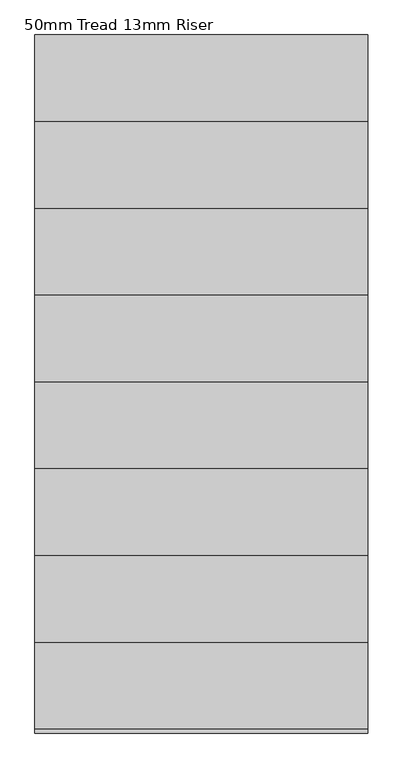
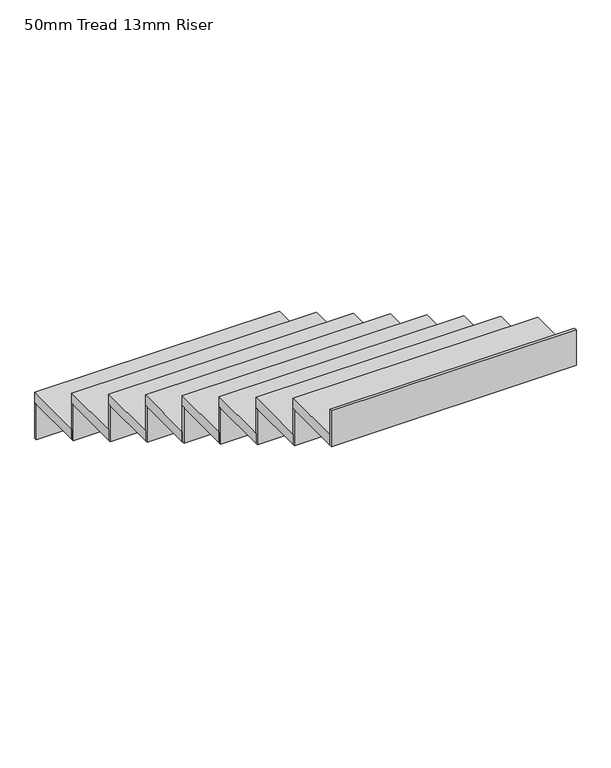
"""IFC4 building model written with IfcOpenShell, lengths in millimetres: stair flight geometry, 50mm Tread 13mm Riser."""

import ifcopenshell
import ifcopenshell.guid

model = None  # the IFC model being written
_history = None  # IfcOwnerHistory: only IFC2X3 demands one
_inside = {}  # id of a spatial element -> (the spatial element, [elements in it])
_under = {}  # id of a project, library or spatial element -> (it, [spatial elements below it])
_declared = {}  # id of a project -> (the project, [libraries it declares])
_typed = {}  # id of a type object -> (the type object, [elements of that type])
_made_of = {}  # id of a material, layer set ... -> (it, [elements and type objects made of it])


def new_model(schema):
    """Start an empty IFC model of exactly this schema.

    Asked for "IFC4X3", IfcOpenShell would pick the latest addendum, in which some entities
    have other attributes; the version numbers below select the first issue.
    IFC2X3 requires an IfcOwnerHistory on every rooted entity: one is made here for all.
    """
    global model, _history
    if schema == "IFC4X3":
        model = ifcopenshell.file(schema_version=(4, 3, 0, 0))
    else:
        model = ifcopenshell.file(schema=schema)
    _inside.clear()
    _under.clear()
    _declared.clear()
    _typed.clear()
    _made_of.clear()
    _history = None
    if model.schema == "IFC2X3":
        org = make("IfcOrganization", Name="unknown")
        user = make(
            "IfcPersonAndOrganization",
            ThePerson=make("IfcPerson", FamilyName="unknown"),
            TheOrganization=org,
        )
        app = make(
            "IfcApplication",
            ApplicationDeveloper=org,
            Version="unknown",
            ApplicationFullName="unknown",
            ApplicationIdentifier="unknown",
        )
        _history = make(
            "IfcOwnerHistory",
            OwningUser=user,
            OwningApplication=app,
            ChangeAction="ADDED",
            CreationDate=0,
        )
    return model


def make(cls, **values):
    """One entity of the class cls with the attributes given. An attribute that is None is left unset."""
    return model.create_entity(
        cls, **{name: value for name, value in values.items() if value is not None}
    )


def rooted(cls, **values):
    """An entity with a GlobalId (a new one), such as an element, a storey or a relation."""
    return make(cls, GlobalId=ifcopenshell.guid.new(), OwnerHistory=_history, **values)


def si_unit(unit_type, name, prefix=None):
    """IfcSIUnit, for example si_unit("LENGTHUNIT", "METRE", prefix="MILLI")."""
    return make("IfcSIUnit", UnitType=unit_type, Prefix=prefix, Name=name)


def assignment(units):
    """IfcUnitAssignment: the units of a project."""
    return None if units is None else make("IfcUnitAssignment", Units=units)


def point(xyz):
    """IfcCartesianPoint."""
    return None if xyz is None else make("IfcCartesianPoint", Coordinates=xyz)


def direction(xyz):
    """IfcDirection."""
    return None if xyz is None else make("IfcDirection", DirectionRatios=xyz)


def frame(location, z_axis=None, x_axis=None):
    """IfcAxis2Placement3D, a coordinate frame: its origin and axes. An axis left out is left unset."""
    return make(
        "IfcAxis2Placement3D",
        Location=point(location),
        Axis=direction(z_axis),
        RefDirection=direction(x_axis),
    )


def origin():
    """The frame at (0, 0, 0) with its axes left unset."""
    return frame((0.0, 0.0, 0.0))


def place(relative_to, where):
    """IfcLocalPlacement: puts the frame where relative to a parent placement (None: the world)."""
    return make(
        "IfcLocalPlacement", PlacementRelTo=relative_to, RelativePlacement=where
    )


def context(
    kind, dimensions, precision=None, world=None, true_north=None, identifier=None
):
    """IfcGeometricRepresentationContext, for example the 3D "Model" context."""
    return make(
        "IfcGeometricRepresentationContext",
        ContextIdentifier=identifier,
        ContextType=kind,
        CoordinateSpaceDimension=dimensions,
        Precision=precision,
        WorldCoordinateSystem=world,
        TrueNorth=true_north,
    )


def project(units=None, contexts=None):
    """IfcProject with its units and contexts."""
    return rooted(
        "IfcProject",
        Name="project",
        RepresentationContexts=contexts,
        UnitsInContext=assignment(units),
    )


def spatial(cls, under=None, at=None, **own):
    """A site, building, storey or space (cls), placed at a placement, below another one or the project."""
    s = rooted(cls, ObjectPlacement=at, **own)
    if under is not None:
        _under.setdefault(under.id(), (under, []))[1].append(s)
    return s


def polyline(points):
    """IfcPolyline through the points."""
    return make("IfcPolyline", Points=[point(p) for p in points])


def outline(outer, holes=None, kind="AREA"):
    """IfcArbitraryClosedProfileDef: a profile drawn as a closed curve; with holes, ...WithVoids."""
    if holes is None:
        return make("IfcArbitraryClosedProfileDef", ProfileType=kind, OuterCurve=outer)
    return make(
        "IfcArbitraryProfileDefWithVoids",
        ProfileType=kind,
        OuterCurve=outer,
        InnerCurves=holes,
    )


def extrude(swept, where, along, depth):
    """IfcExtrudedAreaSolid: the profile swept, set in the frame where, extruded along a direction by depth."""
    return make(
        "IfcExtrudedAreaSolid",
        SweptArea=swept,
        Position=where,
        ExtrudedDirection=direction(along),
        Depth=depth,
    )


def shape(context_of_items, identifier, shape_type, items):
    """IfcShapeRepresentation: the items that make up one representation, for example the "Body"."""
    return make(
        "IfcShapeRepresentation",
        ContextOfItems=context_of_items,
        RepresentationIdentifier=identifier,
        RepresentationType=shape_type,
        Items=items,
    )


def source(mapping_origin, context_of_items, identifier, shape_type, items):
    """IfcRepresentationMap: a shape defined once, which mapped items show again and again."""
    return make(
        "IfcRepresentationMap",
        MappingOrigin=mapping_origin,
        MappedRepresentation=shape(context_of_items, identifier, shape_type, items),
    )


def transform(
    local_origin,
    x_axis=None,
    y_axis=None,
    z_axis=None,
    scale=None,
    scale2=None,
    scale3=None,
    uniform=True,
):
    """IfcCartesianTransformationOperator3D, or its non-uniform kind. x_axis, y_axis, z_axis: its Axis1, 2, 3."""
    if uniform:
        return make(
            "IfcCartesianTransformationOperator3D",
            Axis1=direction(x_axis),
            Axis2=direction(y_axis),
            LocalOrigin=point(local_origin),
            Scale=scale,
            Axis3=direction(z_axis),
        )
    return make(
        "IfcCartesianTransformationOperator3DnonUniform",
        Axis1=direction(x_axis),
        Axis2=direction(y_axis),
        LocalOrigin=point(local_origin),
        Scale=scale,
        Axis3=direction(z_axis),
        Scale2=scale2,
        Scale3=scale3,
    )


def mapped(mapping_source, mapping_target):
    """IfcMappedItem: shows the shape of a source again, moved by a transform."""
    return make(
        "IfcMappedItem", MappingSource=mapping_source, MappingTarget=mapping_target
    )


def made_of(thing, what):
    """Note that an element or type object is made of a material, layer set ...; save() writes the relation."""
    if what is not None:
        _made_of.setdefault(what.id(), (what, []))[1].append(thing)
    return thing


def element(
    cls,
    number,
    at=None,
    inside=None,
    cuts=None,
    type_object=None,
    material=None,
    context=None,
    identifier="Body",
    shape_type=None,
    held_by="IfcProductDefinitionShape",
    body=None,
    shapes=None,
    **own,
):
    """One element of the class cls, such as IfcWall. Its Tag is "e" and its number.

    at: its placement. inside: the storey or other place that contains it. cuts: it is an
    opening in that element (IfcRelVoidsElement). A single representation is given by context,
    identifier, shape_type and body (its items); several are given by shapes. held_by: the class
    of the entity that holds the representations. save() writes the other relations.
    """
    e = rooted(cls, Tag="e%d" % number, ObjectPlacement=at, **own)
    if body is not None:
        shapes = [shape(context, identifier, shape_type, body)]
    if shapes is not None:
        e.Representation = make(held_by, Representations=shapes)
    if inside is not None:
        _inside.setdefault(inside.id(), (inside, []))[1].append(e)
    if cuts is not None:
        rooted(
            "IfcRelVoidsElement", RelatingBuildingElement=cuts, RelatedOpeningElement=e
        )
    if type_object is not None:
        _typed.setdefault(type_object.id(), (type_object, []))[1].append(e)
    return made_of(e, material)


def aggregate(whole, parts):
    """IfcRelAggregates: a whole, such as a stair, and the parts it consists of."""
    return rooted("IfcRelAggregates", RelatingObject=whole, RelatedObjects=parts)


def save(model, path):
    """Write the relations noted so far, then the file.

    IfcRelAggregates (storeys below a building ...), IfcRelContainedInSpatialStructure (elements
    in a storey), IfcRelDefinesByType, IfcRelAssociatesMaterial and IfcRelDeclares: one each for
    every whole, place, type object, material and project.
    """
    for whole, parts in _under.values():
        aggregate(whole, parts)
    for where, things in _inside.values():
        rooted(
            "IfcRelContainedInSpatialStructure",
            RelatedElements=things,
            RelatingStructure=where,
        )
    for kind, things in _typed.values():
        rooted("IfcRelDefinesByType", RelatedObjects=things, RelatingType=kind)
    for what, things in _made_of.values():
        rooted("IfcRelAssociatesMaterial", RelatedObjects=things, RelatingMaterial=what)
    for by, libraries in _declared.values():
        rooted("IfcRelDeclares", RelatingContext=by, RelatedDefinitions=libraries)
    model.write(path)


def stair_flight_50mm_tread_13mm_riser_c1b902f1(model_context):
    return source(origin(), model_context, "Body", "SweptSolid", [
        extrude(outline(polyline([(1695.5456242, -9113.8929885), (1695.5456242, -9101.3929885), (2845.5456242, -9101.3929885), (2845.5456242, -9113.8929885), (1695.5456242, -9113.8929885)])), frame((0.0, 0.0, -4850.0), z_axis=(0.0, 0.0, 1.0), x_axis=(1.0, 0.0, 0.0)), (0.0, 0.0, 1.0), 177.7777778),
        extrude(outline(polyline([(2845.5456242, -9401.3929885), (1695.5456242, -9401.3929885), (1695.5456242, -9101.3929885), (2845.5456242, -9101.3929885), (2845.5456242, -9401.3929885)])), frame((0.0, 0.0, -4672.2222222), z_axis=(0.0, 0.0, 1.0), x_axis=(1.0, 0.0, 0.0)), (0.0, 0.0, 1.0), 50.0),
        extrude(outline(polyline([(1695.5456242, -9413.8929885), (1695.5456242, -9401.3929885), (2845.5456242, -9401.3929885), (2845.5456242, -9413.8929885), (1695.5456242, -9413.8929885)])), frame((0.0, 0.0, -4672.2222222), z_axis=(0.0, 0.0, 1.0), x_axis=(1.0, 0.0, 0.0)), (0.0, 0.0, 1.0), 177.7777778),
        extrude(outline(polyline([(2845.5456242, -9701.3929885), (1695.5456242, -9701.3929885), (1695.5456242, -9401.3929885), (2845.5456242, -9401.3929885), (2845.5456242, -9701.3929885)])), frame((0.0, 0.0, -4494.4444444), z_axis=(0.0, 0.0, 1.0), x_axis=(1.0, 0.0, 0.0)), (0.0, 0.0, 1.0), 50.0),
        extrude(outline(polyline([(1695.5456242, -9713.8929885), (1695.5456242, -9701.3929885), (2845.5456242, -9701.3929885), (2845.5456242, -9713.8929885), (1695.5456242, -9713.8929885)])), frame((0.0, 0.0, -4494.4444444), z_axis=(0.0, 0.0, 1.0), x_axis=(1.0, 0.0, 0.0)), (0.0, 0.0, 1.0), 177.7777778),
        extrude(outline(polyline([(2845.5456242, -10001.3929885), (1695.5456242, -10001.3929885), (1695.5456242, -9701.3929885), (2845.5456242, -9701.3929885), (2845.5456242, -10001.3929885)])), frame((0.0, 0.0, -4316.6666667), z_axis=(0.0, 0.0, 1.0), x_axis=(1.0, 0.0, 0.0)), (0.0, 0.0, 1.0), 50.0),
        extrude(outline(polyline([(1695.5456242, -10013.8929885), (1695.5456242, -10001.3929885), (2845.5456242, -10001.3929885), (2845.5456242, -10013.8929885), (1695.5456242, -10013.8929885)])), frame((0.0, 0.0, -4316.6666667), z_axis=(0.0, 0.0, 1.0), x_axis=(1.0, 0.0, 0.0)), (0.0, 0.0, 1.0), 177.7777778),
        extrude(outline(polyline([(2845.5456242, -10301.3929885), (1695.5456242, -10301.3929885), (1695.5456242, -10001.3929885), (2845.5456242, -10001.3929885), (2845.5456242, -10301.3929885)])), frame((0.0, 0.0, -4138.8888889), z_axis=(0.0, 0.0, 1.0), x_axis=(1.0, 0.0, 0.0)), (0.0, 0.0, 1.0), 50.0),
        extrude(outline(polyline([(1695.5456242, -10313.8929885), (1695.5456242, -10301.3929885), (2845.5456242, -10301.3929885), (2845.5456242, -10313.8929885), (1695.5456242, -10313.8929885)])), frame((0.0, 0.0, -4138.8888889), z_axis=(0.0, 0.0, 1.0), x_axis=(1.0, 0.0, 0.0)), (0.0, 0.0, 1.0), 177.7777778),
        extrude(outline(polyline([(2845.5456242, -10601.3929885), (1695.5456242, -10601.3929885), (1695.5456242, -10301.3929885), (2845.5456242, -10301.3929885), (2845.5456242, -10601.3929885)])), frame((0.0, 0.0, -3961.1111111), z_axis=(0.0, 0.0, 1.0), x_axis=(1.0, 0.0, 0.0)), (0.0, 0.0, 1.0), 50.0),
        extrude(outline(polyline([(1695.5456242, -10613.8929885), (1695.5456242, -10601.3929885), (2845.5456242, -10601.3929885), (2845.5456242, -10613.8929885), (1695.5456242, -10613.8929885)])), frame((0.0, 0.0, -3961.1111111), z_axis=(0.0, 0.0, 1.0), x_axis=(1.0, 0.0, 0.0)), (0.0, 0.0, 1.0), 177.7777778),
        extrude(outline(polyline([(2845.5456242, -10901.3929885), (1695.5456242, -10901.3929885), (1695.5456242, -10601.3929885), (2845.5456242, -10601.3929885), (2845.5456242, -10901.3929885)])), frame((0.0, 0.0, -3783.3333333), z_axis=(0.0, 0.0, 1.0), x_axis=(1.0, 0.0, 0.0)), (0.0, 0.0, 1.0), 50.0),
        extrude(outline(polyline([(1695.5456242, -10913.8929885), (1695.5456242, -10901.3929885), (2845.5456242, -10901.3929885), (2845.5456242, -10913.8929885), (1695.5456242, -10913.8929885)])), frame((0.0, 0.0, -3783.3333333), z_axis=(0.0, 0.0, 1.0), x_axis=(1.0, 0.0, 0.0)), (0.0, 0.0, 1.0), 177.7777778),
        extrude(outline(polyline([(2845.5456242, -11201.3929885), (1695.5456242, -11201.3929885), (1695.5456242, -10901.3929885), (2845.5456242, -10901.3929885), (2845.5456242, -11201.3929885)])), frame((0.0, 0.0, -3605.5555556), z_axis=(0.0, 0.0, 1.0), x_axis=(1.0, 0.0, 0.0)), (0.0, 0.0, 1.0), 50.0),
        extrude(outline(polyline([(1695.5456242, -11213.8929885), (1695.5456242, -11201.3929885), (2845.5456242, -11201.3929885), (2845.5456242, -11213.8929885), (1695.5456242, -11213.8929885)])), frame((0.0, 0.0, -3605.5555556), z_axis=(0.0, 0.0, 1.0), x_axis=(1.0, 0.0, 0.0)), (0.0, 0.0, 1.0), 177.7777778),
        extrude(outline(polyline([(1695.5456242, -11513.8929885), (1695.5456242, -11501.3929885), (2845.5456242, -11501.3929885), (2845.5456242, -11513.8929885), (1695.5456242, -11513.8929885)])), frame((0.0, 0.0, -3427.7777778), z_axis=(0.0, 0.0, 1.0), x_axis=(1.0, 0.0, 0.0)), (0.0, 0.0, 1.0), 177.7777778),
        extrude(outline(polyline([(2845.5456242, -11501.3929885), (1695.5456242, -11501.3929885), (1695.5456242, -11201.3929885), (2845.5456242, -11201.3929885), (2845.5456242, -11501.3929885)])), frame((0.0, 0.0, -3427.7777778), z_axis=(0.0, 0.0, 1.0), x_axis=(1.0, 0.0, 0.0)), (0.0, 0.0, 1.0), 50.0),
    ])


if __name__ == "__main__":
    model = new_model("IFC4")
    model_context = context("Model", 3, world=origin())
    ifc_project = project(units=[si_unit("LENGTHUNIT", "METRE", prefix="MILLI")], contexts=[model_context])
    site = spatial("IfcSite", under=ifc_project)
    building = spatial("IfcBuilding", under=site)
    placement = place(None, origin())
    stair_flight_50mm_tread_13mm_riser_shape = stair_flight_50mm_tread_13mm_riser_c1b902f1(model_context)
    element("IfcStairFlight", 1, ObjectType="50mm Tread 13mm Riser", at=placement, inside=building, context=model_context, shape_type="MappedRepresentation", body=[
        mapped(stair_flight_50mm_tread_13mm_riser_shape, transform((0.0, 0.0, 0.0), x_axis=(1.0, 0.0, 0.0), y_axis=(0.0, 1.0, 0.0), z_axis=(0.0, 0.0, 1.0))),
    ])
    save(model, "model.ifc")
